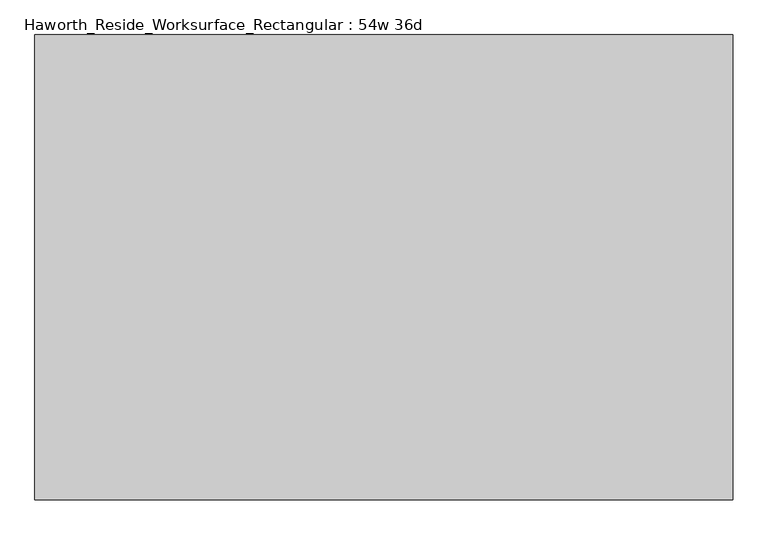
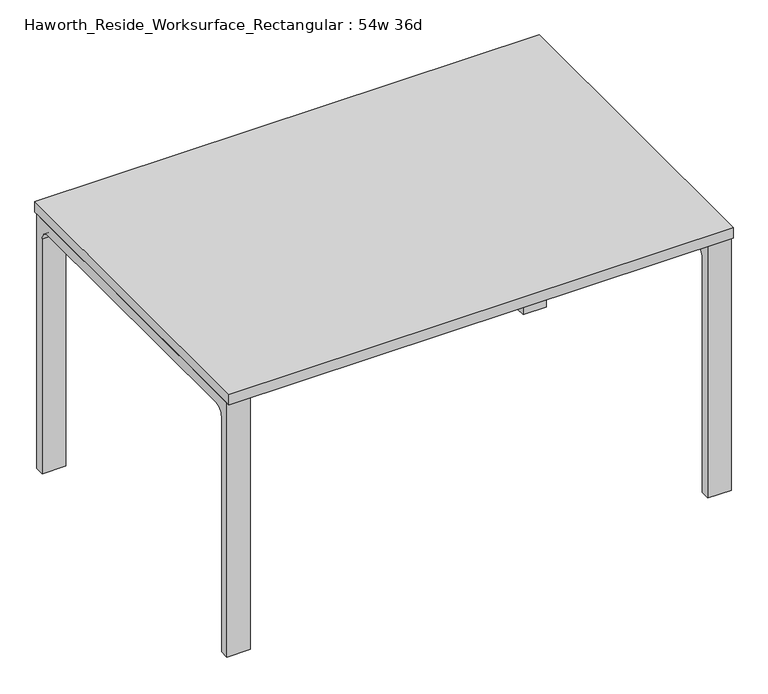
"""IFC4 building model written with IfcOpenShell, lengths in millimetres: furniture geometry, Haworth_Reside_Worksurface_Rectangular : 54w 36d."""

import ifcopenshell
import ifcopenshell.guid

model = None  # the IFC model being written
_history = None  # IfcOwnerHistory: only IFC2X3 demands one
_inside = {}  # id of a spatial element -> (the spatial element, [elements in it])
_under = {}  # id of a project, library or spatial element -> (it, [spatial elements below it])
_declared = {}  # id of a project -> (the project, [libraries it declares])
_typed = {}  # id of a type object -> (the type object, [elements of that type])
_made_of = {}  # id of a material, layer set ... -> (it, [elements and type objects made of it])


def new_model(schema):
    """Start an empty IFC model of exactly this schema.

    Asked for "IFC4X3", IfcOpenShell would pick the latest addendum, in which some entities
    have other attributes; the version numbers below select the first issue.
    IFC2X3 requires an IfcOwnerHistory on every rooted entity: one is made here for all.
    """
    global model, _history
    if schema == "IFC4X3":
        model = ifcopenshell.file(schema_version=(4, 3, 0, 0))
    else:
        model = ifcopenshell.file(schema=schema)
    _inside.clear()
    _under.clear()
    _declared.clear()
    _typed.clear()
    _made_of.clear()
    _history = None
    if model.schema == "IFC2X3":
        org = make("IfcOrganization", Name="unknown")
        user = make(
            "IfcPersonAndOrganization",
            ThePerson=make("IfcPerson", FamilyName="unknown"),
            TheOrganization=org,
        )
        app = make(
            "IfcApplication",
            ApplicationDeveloper=org,
            Version="unknown",
            ApplicationFullName="unknown",
            ApplicationIdentifier="unknown",
        )
        _history = make(
            "IfcOwnerHistory",
            OwningUser=user,
            OwningApplication=app,
            ChangeAction="ADDED",
            CreationDate=0,
        )
    return model


def make(cls, **values):
    """One entity of the class cls with the attributes given. An attribute that is None is left unset."""
    return model.create_entity(
        cls, **{name: value for name, value in values.items() if value is not None}
    )


def rooted(cls, **values):
    """An entity with a GlobalId (a new one), such as an element, a storey or a relation."""
    return make(cls, GlobalId=ifcopenshell.guid.new(), OwnerHistory=_history, **values)


def si_unit(unit_type, name, prefix=None):
    """IfcSIUnit, for example si_unit("LENGTHUNIT", "METRE", prefix="MILLI")."""
    return make("IfcSIUnit", UnitType=unit_type, Prefix=prefix, Name=name)


def assignment(units):
    """IfcUnitAssignment: the units of a project."""
    return None if units is None else make("IfcUnitAssignment", Units=units)


def point(xyz):
    """IfcCartesianPoint."""
    return None if xyz is None else make("IfcCartesianPoint", Coordinates=xyz)


def direction(xyz):
    """IfcDirection."""
    return None if xyz is None else make("IfcDirection", DirectionRatios=xyz)


def frame(location, z_axis=None, x_axis=None):
    """IfcAxis2Placement3D, a coordinate frame: its origin and axes. An axis left out is left unset."""
    return make(
        "IfcAxis2Placement3D",
        Location=point(location),
        Axis=direction(z_axis),
        RefDirection=direction(x_axis),
    )


def frame_2d(location, x_axis=None):
    """IfcAxis2Placement2D, a coordinate frame in the plane: its origin and x axis."""
    return make(
        "IfcAxis2Placement2D", Location=point(location), RefDirection=direction(x_axis)
    )


def origin():
    """The frame at (0, 0, 0) with its axes left unset."""
    return frame((0.0, 0.0, 0.0))


def place(relative_to, where):
    """IfcLocalPlacement: puts the frame where relative to a parent placement (None: the world)."""
    return make(
        "IfcLocalPlacement", PlacementRelTo=relative_to, RelativePlacement=where
    )


def context(
    kind, dimensions, precision=None, world=None, true_north=None, identifier=None
):
    """IfcGeometricRepresentationContext, for example the 3D "Model" context."""
    return make(
        "IfcGeometricRepresentationContext",
        ContextIdentifier=identifier,
        ContextType=kind,
        CoordinateSpaceDimension=dimensions,
        Precision=precision,
        WorldCoordinateSystem=world,
        TrueNorth=true_north,
    )


def project(units=None, contexts=None):
    """IfcProject with its units and contexts."""
    return rooted(
        "IfcProject",
        Name="project",
        RepresentationContexts=contexts,
        UnitsInContext=assignment(units),
    )


def spatial(cls, under=None, at=None, **own):
    """A site, building, storey or space (cls), placed at a placement, below another one or the project."""
    s = rooted(cls, ObjectPlacement=at, **own)
    if under is not None:
        _under.setdefault(under.id(), (under, []))[1].append(s)
    return s


def polyline(points):
    """IfcPolyline through the points."""
    return make("IfcPolyline", Points=[point(p) for p in points])


def circle_curve(where, radius):
    """IfcCircle in the frame where."""
    return make("IfcCircle", Position=where, Radius=radius)


def trimmed(basis, trim1, trim2, sense, master):
    """IfcTrimmedCurve: the piece of a basis curve between two trims."""
    return make(
        "IfcTrimmedCurve",
        BasisCurve=basis,
        Trim1=trim1,
        Trim2=trim2,
        SenseAgreement=sense,
        MasterRepresentation=master,
    )


def segment(curve, same_sense, transition):
    """IfcCompositeCurveSegment."""
    return make(
        "IfcCompositeCurveSegment",
        Transition=transition,
        SameSense=same_sense,
        ParentCurve=curve,
    )


def composite_curve(segments, self_intersect=None):
    """IfcCompositeCurve: segments joined end to end."""
    return make("IfcCompositeCurve", Segments=segments, SelfIntersect=self_intersect)


def outline(outer, holes=None, kind="AREA"):
    """IfcArbitraryClosedProfileDef: a profile drawn as a closed curve; with holes, ...WithVoids."""
    if holes is None:
        return make("IfcArbitraryClosedProfileDef", ProfileType=kind, OuterCurve=outer)
    return make(
        "IfcArbitraryProfileDefWithVoids",
        ProfileType=kind,
        OuterCurve=outer,
        InnerCurves=holes,
    )


def extrude(swept, where, along, depth):
    """IfcExtrudedAreaSolid: the profile swept, set in the frame where, extruded along a direction by depth."""
    return make(
        "IfcExtrudedAreaSolid",
        SweptArea=swept,
        Position=where,
        ExtrudedDirection=direction(along),
        Depth=depth,
    )


def shape(context_of_items, identifier, shape_type, items):
    """IfcShapeRepresentation: the items that make up one representation, for example the "Body"."""
    return make(
        "IfcShapeRepresentation",
        ContextOfItems=context_of_items,
        RepresentationIdentifier=identifier,
        RepresentationType=shape_type,
        Items=items,
    )


def source(mapping_origin, context_of_items, identifier, shape_type, items):
    """IfcRepresentationMap: a shape defined once, which mapped items show again and again."""
    return make(
        "IfcRepresentationMap",
        MappingOrigin=mapping_origin,
        MappedRepresentation=shape(context_of_items, identifier, shape_type, items),
    )


def transform(
    local_origin,
    x_axis=None,
    y_axis=None,
    z_axis=None,
    scale=None,
    scale2=None,
    scale3=None,
    uniform=True,
):
    """IfcCartesianTransformationOperator3D, or its non-uniform kind. x_axis, y_axis, z_axis: its Axis1, 2, 3."""
    if uniform:
        return make(
            "IfcCartesianTransformationOperator3D",
            Axis1=direction(x_axis),
            Axis2=direction(y_axis),
            LocalOrigin=point(local_origin),
            Scale=scale,
            Axis3=direction(z_axis),
        )
    return make(
        "IfcCartesianTransformationOperator3DnonUniform",
        Axis1=direction(x_axis),
        Axis2=direction(y_axis),
        LocalOrigin=point(local_origin),
        Scale=scale,
        Axis3=direction(z_axis),
        Scale2=scale2,
        Scale3=scale3,
    )


def mapped(mapping_source, mapping_target):
    """IfcMappedItem: shows the shape of a source again, moved by a transform."""
    return make(
        "IfcMappedItem", MappingSource=mapping_source, MappingTarget=mapping_target
    )


def made_of(thing, what):
    """Note that an element or type object is made of a material, layer set ...; save() writes the relation."""
    if what is not None:
        _made_of.setdefault(what.id(), (what, []))[1].append(thing)
    return thing


def element(
    cls,
    number,
    at=None,
    inside=None,
    cuts=None,
    type_object=None,
    material=None,
    context=None,
    identifier="Body",
    shape_type=None,
    held_by="IfcProductDefinitionShape",
    body=None,
    shapes=None,
    **own,
):
    """One element of the class cls, such as IfcWall. Its Tag is "e" and its number.

    at: its placement. inside: the storey or other place that contains it. cuts: it is an
    opening in that element (IfcRelVoidsElement). A single representation is given by context,
    identifier, shape_type and body (its items); several are given by shapes. held_by: the class
    of the entity that holds the representations. save() writes the other relations.
    """
    e = rooted(cls, Tag="e%d" % number, ObjectPlacement=at, **own)
    if body is not None:
        shapes = [shape(context, identifier, shape_type, body)]
    if shapes is not None:
        e.Representation = make(held_by, Representations=shapes)
    if inside is not None:
        _inside.setdefault(inside.id(), (inside, []))[1].append(e)
    if cuts is not None:
        rooted(
            "IfcRelVoidsElement", RelatingBuildingElement=cuts, RelatedOpeningElement=e
        )
    if type_object is not None:
        _typed.setdefault(type_object.id(), (type_object, []))[1].append(e)
    return made_of(e, material)


def aggregate(whole, parts):
    """IfcRelAggregates: a whole, such as a stair, and the parts it consists of."""
    return rooted("IfcRelAggregates", RelatingObject=whole, RelatedObjects=parts)


def save(model, path):
    """Write the relations noted so far, then the file.

    IfcRelAggregates (storeys below a building ...), IfcRelContainedInSpatialStructure (elements
    in a storey), IfcRelDefinesByType, IfcRelAssociatesMaterial and IfcRelDeclares: one each for
    every whole, place, type object, material and project.
    """
    for whole, parts in _under.values():
        aggregate(whole, parts)
    for where, things in _inside.values():
        rooted(
            "IfcRelContainedInSpatialStructure",
            RelatedElements=things,
            RelatingStructure=where,
        )
    for kind, things in _typed.values():
        rooted("IfcRelDefinesByType", RelatedObjects=things, RelatingType=kind)
    for what, things in _made_of.values():
        rooted("IfcRelAssociatesMaterial", RelatedObjects=things, RelatingMaterial=what)
    for by, libraries in _declared.values():
        rooted("IfcRelDeclares", RelatingContext=by, RelatedDefinitions=libraries)
    model.write(path)


def haworth_reside_worksurface_rectangular_54w_36d_9346d7a7(model_context):
    return source(origin(), model_context, "Body", "SweptSolid", [
        extrude(outline(composite_curve([segment(trimmed(circle_curve(frame_2d((396.875, 676.275)), 25.4), [point((422.275, 676.275))], [point((396.875, 701.675))], True, "CARTESIAN"), True, "CONTINUOUS"), segment(polyline([(396.875, 701.675), (-396.875, 701.675)]), True, "CONTINUOUS"), segment(trimmed(circle_curve(frame_2d((-396.875, 676.275)), 25.4), [point((-396.875, 701.675))], [point((-422.275, 676.275))], True, "CARTESIAN"), True, "CONTINUOUS"), segment(polyline([(-422.275, 676.275), (-422.275, 0.0), (-447.675, 0.0), (-447.675, 731.8375), (447.675, 731.8375), (447.675, 0.0), (422.275, 0.0), (422.275, 676.275)]), True, "CONTINUOUS")], self_intersect=False)), frame((622.3, 0.0, 0.0), z_axis=(1.0, 0.0, 0.0), x_axis=(0.0, 1.0, 0.0)), (0.0, 0.0, 1.0), 63.5),
        extrude(outline(composite_curve([segment(trimmed(circle_curve(frame_2d((396.875, 676.275)), 25.4), [point((422.275, 676.275))], [point((396.875, 701.675))], True, "CARTESIAN"), True, "CONTINUOUS"), segment(polyline([(396.875, 701.675), (-396.875, 701.675)]), True, "CONTINUOUS"), segment(trimmed(circle_curve(frame_2d((-396.875, 676.275)), 25.4), [point((-396.875, 701.675))], [point((-422.275, 676.275))], True, "CARTESIAN"), True, "CONTINUOUS"), segment(polyline([(-422.275, 676.275), (-422.275, 0.0), (-447.675, 0.0), (-447.675, 731.8375), (447.675, 731.8375), (447.675, 0.0), (422.275, 0.0), (422.275, 676.275)]), True, "CONTINUOUS")], self_intersect=False)), frame((-685.8, 0.0, 0.0), z_axis=(1.0, 0.0, 0.0), x_axis=(0.0, 1.0, 0.0)), (0.0, 0.0, 1.0), 63.5),
        extrude(outline(polyline([(685.8, 457.2), (685.8, -457.2), (-685.8, -457.2), (-685.8, 457.2), (685.8, 457.2)])), frame((0.0, 0.0, 731.8375), z_axis=(0.0, 0.0, 1.0), x_axis=(1.0, 0.0, 0.0)), (0.0, 0.0, 1.0), 30.1625),
    ])


if __name__ == "__main__":
    model = new_model("IFC4")
    model_context = context("Model", 3, world=origin())
    ifc_project = project(units=[si_unit("LENGTHUNIT", "METRE", prefix="MILLI")], contexts=[model_context])
    site = spatial("IfcSite", under=ifc_project)
    building = spatial("IfcBuilding", under=site)
    placement = place(None, origin())
    haworth_reside_worksurface_rectangular_54w_36d_shape = haworth_reside_worksurface_rectangular_54w_36d_9346d7a7(model_context)
    element("IfcFurniture", 1, ObjectType="Haworth_Reside_Worksurface_Rectangular : 54w 36d", at=placement, inside=building, context=model_context, shape_type="MappedRepresentation", body=[
        mapped(haworth_reside_worksurface_rectangular_54w_36d_shape, transform((0.0, 0.0, 0.0), x_axis=(1.0, 0.0, 0.0), y_axis=(0.0, 1.0, 0.0), z_axis=(0.0, 0.0, 1.0))),
    ])
    save(model, "model.ifc")
